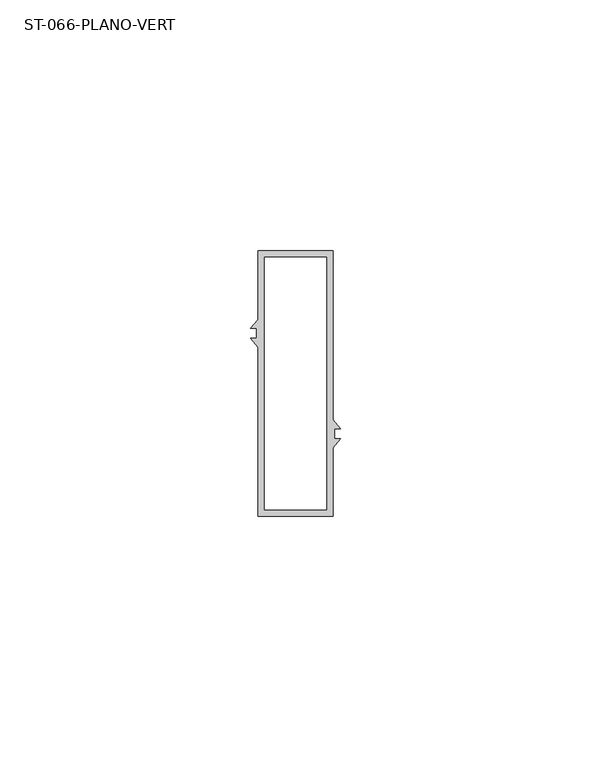
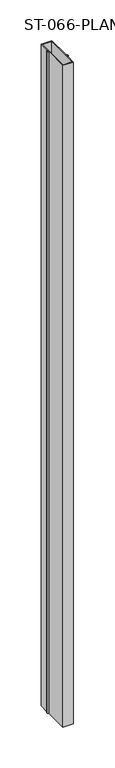
"""IFC4 building model written with IfcOpenShell, lengths in millimetres: plate geometry, ST-066-PLANO-VERT."""

from ifc_helpers import new_model, si_unit, origin, origin_with_axes, place, context, project, spatial, polyline, outline, extrude, source, transform, mapped, element, save


def st_066_plano_vert_0a93d297(model_context):
    return source(origin(), model_context, "Body", "SweptSolid", [
        extrude(outline(polyline([(-16.5226465, 0.0), (-31.5226465, 0.0), (-31.5226465, 33.739354), (-33.0000027, 35.4999985), (-31.7711013, 35.4999985), (-31.7711013, 37.5000015), (-33.0000002, 37.5000015), (-31.5226465, 39.260643), (-31.5226465, 53.0), (-16.5226465, 53.0), (-16.5226465, 19.260646), (-15.0452904, 17.5000015), (-16.2741918, 17.5000015), (-16.2741918, 15.4999985), (-15.0452929, 15.4999985), (-16.5226465, 13.739357), (-16.5226465, 0.0)]), holes=[polyline([(-30.2226465, 51.7), (-30.2226465, 1.3), (-17.8226465, 1.3), (-17.8226465, 51.7), (-30.2226465, 51.7)])]), origin_with_axes(), (0.0, 0.0, 1.0), 1000.0),
    ])


if __name__ == "__main__":
    model = new_model("IFC4")
    model_context = context("Model", 3, world=origin())
    ifc_project = project(units=[si_unit("LENGTHUNIT", "METRE", prefix="MILLI")], contexts=[model_context])
    site = spatial("IfcSite", under=ifc_project)
    building = spatial("IfcBuilding", under=site)
    placement = place(None, origin())
    st_066_plano_vert_shape = st_066_plano_vert_0a93d297(model_context)
    element("IfcPlate", 1, ObjectType="ST-066-PLANO-VERT", at=placement, inside=building, context=model_context, shape_type="MappedRepresentation", body=[
        mapped(st_066_plano_vert_shape, transform((0.0, 0.0, 0.0), x_axis=(1.0, 0.0, 0.0), y_axis=(0.0, 1.0, 0.0), z_axis=(0.0, 0.0, 1.0))),
    ])
    save(model, "model.ifc")
